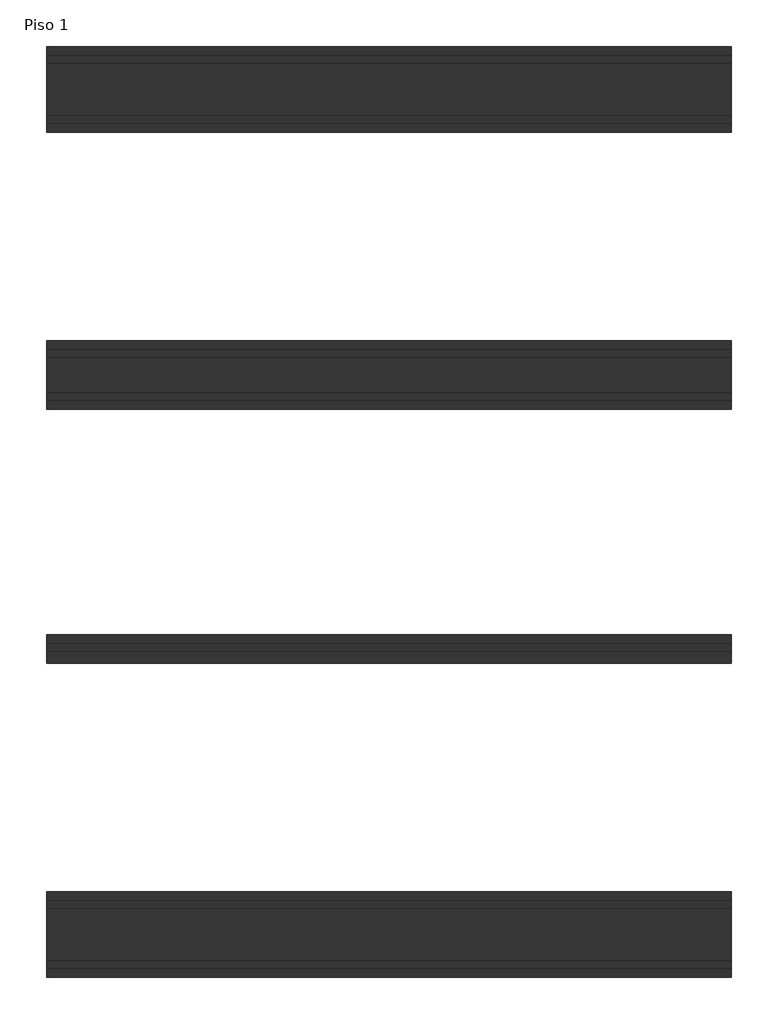
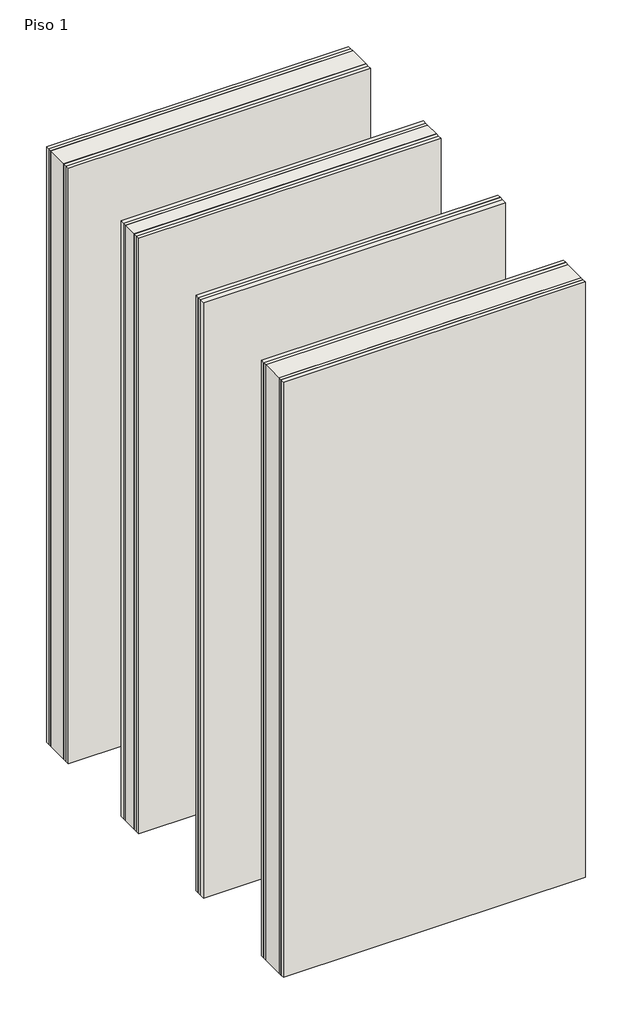
# One storey: 4 walls.
"""IFC4 building model written with IfcOpenShell, lengths in millimetres."""

from ifc_helpers import new_model, si_unit, origin, origin_with_axes, place, context, project, spatial, polyline, outline, extrude, element, save

model = new_model("IFC4")

# Units and contexts
model_context = context("Model", 3, world=origin())
ifc_project = project(units=[si_unit("LENGTHUNIT", "METRE", prefix="MILLI")], contexts=[model_context])

# Site, building, storey
site = spatial("IfcSite", under=ifc_project)
building = spatial("IfcBuilding", under=site)
storey = spatial("IfcBuildingStorey", under=building, Name="Piso 1", Elevation=0.0)

# Walls
placement = place(None, origin())
element("IfcWall", 1, at=placement, inside=storey, context=model_context, shape_type="SweptSolid", body=[
    extrude(outline(polyline([(2337.5079674, 2201.8377621), (1137.5079674, 2201.8377621), (1137.5079674, 2216.8377621), (2337.5079674, 2216.8377621), (2337.5079674, 2201.8377621)])), origin_with_axes(), (0.0, 0.0, 1.0), 2500.0),
    extrude(outline(polyline([(1137.5079674, 2351.8377621), (2337.5079674, 2351.8377621), (2337.5079674, 2336.8377621), (1137.5079674, 2336.8377621), (1137.5079674, 2351.8377621)])), origin_with_axes(), (0.0, 0.0, 1.0), 2500.0),
    extrude(outline(polyline([(1137.5079674, 2231.8377621), (1137.5079674, 2321.8377621), (2337.5079674, 2321.8377621), (2337.5079674, 2231.8377621), (1137.5079674, 2231.8377621)])), origin_with_axes(), (0.0, 0.0, 1.0), 2500.0),
    extrude(outline(polyline([(1137.5079674, 2216.8377621), (1137.5079674, 2231.8377621), (2337.5079674, 2231.8377621), (2337.5079674, 2216.8377621), (1137.5079674, 2216.8377621)])), origin_with_axes(), (0.0, 0.0, 1.0), 2500.0),
    extrude(outline(polyline([(1137.5079674, 2321.8377621), (1137.5079674, 2336.8377621), (2337.5079674, 2336.8377621), (2337.5079674, 2321.8377621), (1137.5079674, 2321.8377621)])), origin_with_axes(), (0.0, 0.0, 1.0), 2500.0),
])
element("IfcWall", 2, at=placement, inside=storey, context=model_context, shape_type="SweptSolid", body=[
    extrude(outline(polyline([(2337.5079674, 1716.8377621), (1137.5079674, 1716.8377621), (1137.5079674, 1731.8377621), (2337.5079674, 1731.8377621), (2337.5079674, 1716.8377621)])), origin_with_axes(), (0.0, 0.0, 1.0), 2500.0),
    extrude(outline(polyline([(1137.5079674, 1836.8377621), (2337.5079674, 1836.8377621), (2337.5079674, 1821.8377621), (1137.5079674, 1821.8377621), (1137.5079674, 1836.8377621)])), origin_with_axes(), (0.0, 0.0, 1.0), 2500.0),
    extrude(outline(polyline([(1137.5079674, 1746.8377621), (1137.5079674, 1806.8377621), (2337.5079674, 1806.8377621), (2337.5079674, 1746.8377621), (1137.5079674, 1746.8377621)])), origin_with_axes(), (0.0, 0.0, 1.0), 2500.0),
    extrude(outline(polyline([(1137.5079674, 1731.8377621), (1137.5079674, 1746.8377621), (2337.5079674, 1746.8377621), (2337.5079674, 1731.8377621), (1137.5079674, 1731.8377621)])), origin_with_axes(), (0.0, 0.0, 1.0), 2500.0),
    extrude(outline(polyline([(1137.5079674, 1806.8377621), (1137.5079674, 1821.8377621), (2337.5079674, 1821.8377621), (2337.5079674, 1806.8377621), (1137.5079674, 1806.8377621)])), origin_with_axes(), (0.0, 0.0, 1.0), 2500.0),
])
element("IfcWall", 3, at=placement, inside=storey, context=model_context, shape_type="SweptSolid", body=[
    extrude(outline(polyline([(1137.5079674, 1321.8377621), (2337.5079674, 1321.8377621), (2337.5079674, 1306.8377621), (1137.5079674, 1306.8377621), (1137.5079674, 1321.8377621)])), origin_with_axes(), (0.0, 0.0, 1.0), 2500.0),
    extrude(outline(polyline([(2337.5079674, 1271.8377621), (1137.5079674, 1271.8377621), (1137.5079674, 1291.8377621), (2337.5079674, 1291.8377621), (2337.5079674, 1271.8377621)])), origin_with_axes(), (0.0, 0.0, 1.0), 2500.0),
    extrude(outline(polyline([(1137.5079674, 1291.8377621), (1137.5079674, 1306.8377621), (2337.5079674, 1306.8377621), (2337.5079674, 1291.8377621), (1137.5079674, 1291.8377621)])), origin_with_axes(), (0.0, 0.0, 1.0), 2500.0),
])
element("IfcWall", 4, at=placement, inside=storey, context=model_context, shape_type="SweptSolid", body=[
    extrude(outline(polyline([(2337.5079674, 721.8377621), (1137.5079674, 721.8377621), (1137.5079674, 736.8377621), (2337.5079674, 736.8377621), (2337.5079674, 721.8377621)])), origin_with_axes(), (0.0, 0.0, 1.0), 2500.0),
    extrude(outline(polyline([(1137.5079674, 871.8377621), (2337.5079674, 871.8377621), (2337.5079674, 856.8377621), (1137.5079674, 856.8377621), (1137.5079674, 871.8377621)])), origin_with_axes(), (0.0, 0.0, 1.0), 2500.0),
    extrude(outline(polyline([(1137.5079674, 751.8377621), (1137.5079674, 841.8377621), (2337.5079674, 841.8377621), (2337.5079674, 751.8377621), (1137.5079674, 751.8377621)])), origin_with_axes(), (0.0, 0.0, 1.0), 2500.0),
    extrude(outline(polyline([(1137.5079674, 736.8377621), (1137.5079674, 751.8377621), (2337.5079674, 751.8377621), (2337.5079674, 736.8377621), (1137.5079674, 736.8377621)])), origin_with_axes(), (0.0, 0.0, 1.0), 2500.0),
    extrude(outline(polyline([(1137.5079674, 841.8377621), (1137.5079674, 856.8377621), (2337.5079674, 856.8377621), (2337.5079674, 841.8377621), (1137.5079674, 841.8377621)])), origin_with_axes(), (0.0, 0.0, 1.0), 2500.0),
])

save(model, "model.ifc")
